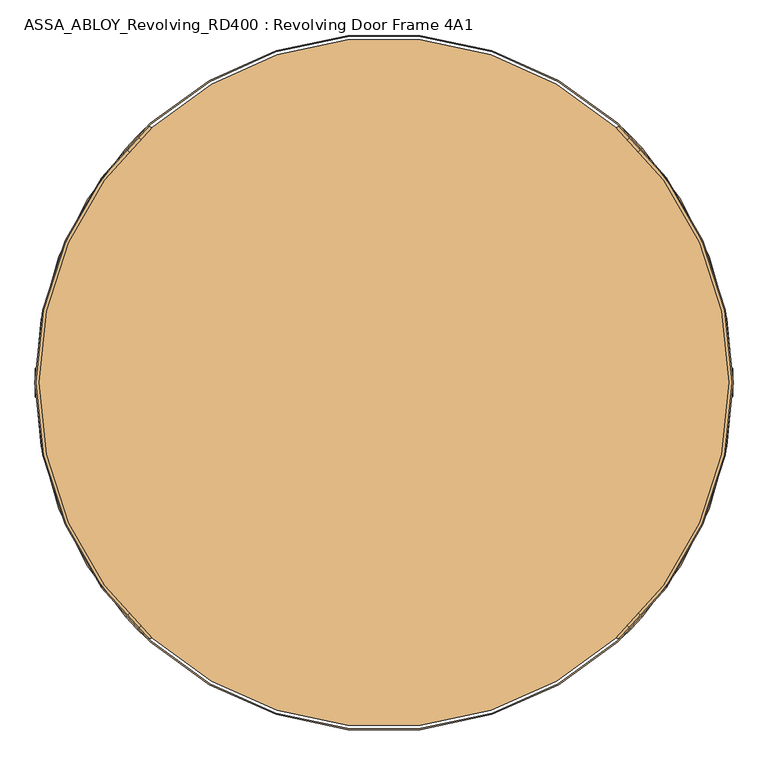
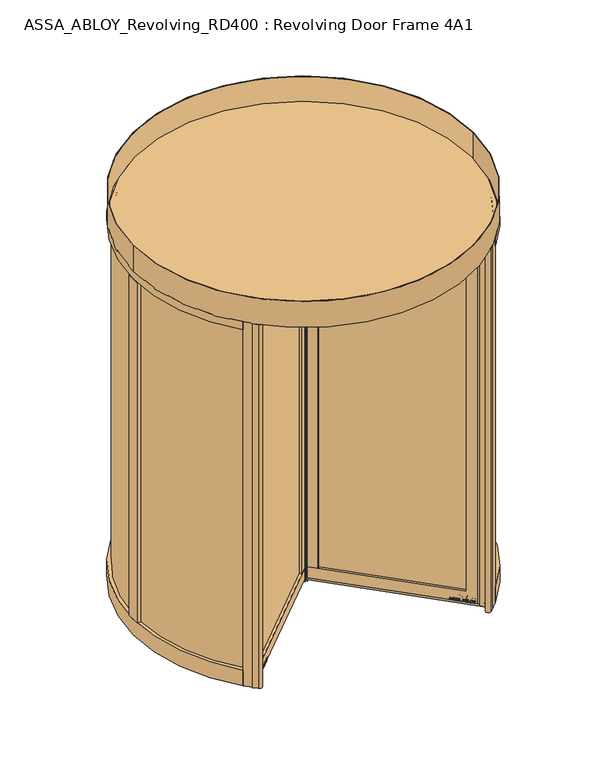
"""IFC4 building model written with IfcOpenShell, lengths in millimetres: door geometry, ASSA_ABLOY_Revolving_RD400 : Revolving Door Frame 4A1."""

from ifc_helpers import new_model, si_unit, point, frame, frame_2d, origin, origin_with_axes, origin_2d, place, context, project, spatial, polyline, circle_curve, trimmed, segment, composite_curve, outline, extrude, source, transform, mapped, element, save
from ifc_brep_helpers import plane_surface, cylinder_surface, advanced_brep


def assa_abloy_revolving_rd400_revolving_door_frame_4a1_a85f9224(model_context):
    return source(origin(), model_context, "Body", "SolidModel", [
        extrude(outline(composite_curve([segment(trimmed(circle_curve(origin_2d(), 1200.0), [point((-848.5281374, -848.5281374))], [point((-819.7723306, -876.3408731))], True, "CARTESIAN"), True, "CONTINUOUS"), segment(trimmed(circle_curve(frame_2d((-834.3787568, -890.0339371)), 20.0211809), [point((-819.7723306, -876.3408731))], [point((-848.0718208, -904.6403633))], False, "CARTESIAN"), True, "CONTINUOUS"), segment(trimmed(circle_curve(origin_2d(), 1240.0), [point((-848.0718208, -904.6403633))], [point((-876.8124087, -876.8124087))], False, "CARTESIAN"), True, "CONTINUOUS"), segment(polyline([(-876.8124087, -876.8124087), (-848.5281374, -848.5281374)]), True, "CONTINUOUS")], self_intersect=False)), origin_with_axes(), (0.0, 0.0, 1.0), 2800.0),
        extrude(outline(composite_curve([segment(trimmed(circle_curve(origin_2d(), 1200.0), [point((848.5281374, 848.5281374))], [point((819.7723306, 876.3408731))], True, "CARTESIAN"), True, "CONTINUOUS"), segment(trimmed(circle_curve(frame_2d((834.3787568, 890.0339371)), 20.0211809), [point((819.7723306, 876.3408731))], [point((848.0718208, 904.6403633))], False, "CARTESIAN"), True, "CONTINUOUS"), segment(trimmed(circle_curve(origin_2d(), 1240.0), [point((848.0718208, 904.6403633))], [point((876.8124087, 876.8124087))], False, "CARTESIAN"), True, "CONTINUOUS"), segment(polyline([(876.8124087, 876.8124087), (848.5281374, 848.5281374)]), True, "CONTINUOUS")], self_intersect=False)), origin_with_axes(), (0.0, 0.0, 1.0), 2800.0),
        extrude(outline(composite_curve([segment(polyline([(-848.5281374, 848.5281374), (-876.8124087, 876.8124087)]), True, "CONTINUOUS"), segment(trimmed(circle_curve(origin_2d(), 1240.0), [point((-876.8124087, 876.8124087))], [point((-848.0718208, 904.6403633))], False, "CARTESIAN"), True, "CONTINUOUS"), segment(trimmed(circle_curve(frame_2d((-834.3787568, 890.0339371)), 20.0211809), [point((-848.0718208, 904.6403633))], [point((-819.7723306, 876.3408731))], False, "CARTESIAN"), True, "CONTINUOUS"), segment(trimmed(circle_curve(origin_2d(), 1200.0), [point((-819.7723306, 876.3408731))], [point((-848.5281374, 848.5281374))], True, "CARTESIAN"), True, "CONTINUOUS")], self_intersect=False)), origin_with_axes(), (0.0, 0.0, 1.0), 2800.0),
        extrude(outline(composite_curve([segment(polyline([(848.5281374, -848.5281374), (876.8124087, -876.8124087)]), True, "CONTINUOUS"), segment(trimmed(circle_curve(origin_2d(), 1240.0), [point((876.8124087, -876.8124087))], [point((848.0718208, -904.6403633))], False, "CARTESIAN"), True, "CONTINUOUS"), segment(trimmed(circle_curve(frame_2d((834.3787568, -890.0339371)), 20.0211809), [point((848.0718208, -904.6403633))], [point((819.7723306, -876.3408731))], False, "CARTESIAN"), True, "CONTINUOUS"), segment(trimmed(circle_curve(origin_2d(), 1200.0), [point((819.7723306, -876.3408731))], [point((848.5281374, -848.5281374))], True, "CARTESIAN"), True, "CONTINUOUS")], self_intersect=False)), origin_with_axes(), (0.0, 0.0, 1.0), 2800.0),
        advanced_brep(
        [(9.1923882, -37.4766594, 28.0), (37.4766594, -9.1923882, 28.0), (824.4865069, -796.2022356, 28.0), (824.4865069, -807.5159441, 28.0), (807.5159441, -824.4865069, 28.0), (796.2022356, -824.4865069, 28.0), (9.1923882, -37.4766594, 110.0), (743.8763338, -772.1606051, 110.0), (772.1606051, -743.8763338, 110.0), (37.4766594, -9.1923882, 110.0), (37.4766594, -9.1923882, 2689.0), (9.1923882, -37.4766594, 2689.0), (9.1923882, -37.4766594, 2771.0), (37.4766594, -9.1923882, 2771.0), (772.1606051, -743.8763338, 2689.0), (743.8763338, -772.1606051, 2689.0), (824.4865069, -807.5159441, 2771.0), (807.5159441, -824.4865069, 2771.0), (796.2022356, -824.4865069, 2771.0), (824.4865069, -796.2022356, 2771.0)],
        [
            (0, 1),
            (1, 2),
            (2, 3, circle_curve(frame((818.8296526, -801.8590899, 28.0), z_axis=(0.0, 0.0, -1.0), x_axis=(-0.7071067811866438, -0.7071067811864512, 0.0)), 8.0)),
            (3, 4),
            (4, 5, circle_curve(frame((801.8590899, -818.8296526, 28.0), z_axis=(0.0, 0.0, -1.0), x_axis=(-0.7071067811866438, -0.7071067811864512, 0.0)), 8.0)),
            (5, 0),
            (6, 7),
            (7, 8),
            (8, 9),
            (9, 6),
            (10, 11),
            (11, 12),
            (12, 13),
            (13, 10),
            (10, 14),
            (14, 15),
            (15, 11),
            (7, 15),
            (14, 8),
            (16, 17),
            (17, 4),
            (3, 16),
            (17, 18, circle_curve(frame((801.8590899, -818.8296526, 2771.0), z_axis=(0.0, 0.0, -1.0), x_axis=(-0.7071067811866438, -0.7071067811864512, 0.0)), 8.0)),
            (18, 5),
            (19, 16, circle_curve(frame((818.8296526, -801.8590899, 2771.0), z_axis=(0.0, 0.0, -1.0), x_axis=(-0.7071067811866438, -0.7071067811864512, 0.0)), 8.0)),
            (2, 19),
            (6, 0),
            (18, 12),
            (1, 9),
            (13, 19),
        ],
        [
            plane_surface(frame((743.8763338, -772.1606051, 28.0), z_axis=(0.0, 0.0, -1.0), x_axis=(-0.7071067811864512, 0.7071067811866438, 0.0))),
            plane_surface(frame((772.1606051, -743.8763338, 110.0), z_axis=(0.0, 0.0, 1.0), x_axis=(-0.7071067811864512, 0.7071067811866438, 0.0))),
            plane_surface(frame((23.3345238, -23.3345238, 2771.0), z_axis=(-0.7071067811864512, 0.7071067811866438, 0.0), x_axis=(-0.7071067811866438, -0.7071067811864512, 0.0))),
            plane_surface(frame((37.4766594, -9.1923882, 2689.0), z_axis=(0.0, 0.0, -1.0), x_axis=(0.7071067811864512, -0.7071067811866438, 0.0))),
            plane_surface(frame((772.1606051, -743.8763338, 2771.0), z_axis=(-0.7071067811864512, 0.7071067811866438, 0.0), x_axis=(0.0, 0.0, -1.0))),
            plane_surface(frame((807.5159441, -824.4865069, 2771.0), z_axis=(0.7071067811864512, -0.7071067811866438, 0.0), x_axis=(0.0, 0.0, -1.0))),
            cylinder_surface(frame((801.8590899, -818.8296526, 2771.0), z_axis=(0.0, 0.0, 1.0), x_axis=(-0.7071067811866438, -0.7071067811864512, 0.0)), 8.0),
            cylinder_surface(frame((818.8296526, -801.8590899, 2771.0), z_axis=(0.0, 0.0, 1.0), x_axis=(-0.7071067811866438, -0.7071067811864512, 0.0)), 8.0),
            plane_surface(frame((743.8763338, -772.1606051, 110.0), z_axis=(-0.7071067811866438, -0.7071067811864512, 0.0), x_axis=(-0.7071067811864512, 0.7071067811866438, 0.0))),
            plane_surface(frame((772.1606051, -743.8763338, 28.0), z_axis=(0.7071067811866438, 0.7071067811864512, 0.0), x_axis=(-0.7071067811864512, 0.7071067811866438, 0.0))),
            plane_surface(frame((23.3345238, -23.3345238, 28.0), z_axis=(-0.7071067811864512, 0.7071067811866438, 0.0), x_axis=(-0.7071067811866438, -0.7071067811864512, 0.0))),
            plane_surface(frame((816.0012255, -816.0012255, 2771.0), z_axis=(0.0, 0.0, 1.0), x_axis=(-0.7071067811866438, -0.7071067811864512, 0.0))),
        ],
        [
            (0, [[1, 2, 3, 4, 5, 6]]),
            (1, [[7, 8, 9, 10]]),
            (2, [[11, 12, 13, 14]]),
            (3, [[-11, 15, 16, 17]]),
            (4, [[-8, 18, -16, 19]]),
            (5, [[20, 21, -4, 22]]),
            (6, [[23, 24, -5, -21]]),
            (7, [[25, -22, -3, 26]]),
            (8, [[-7, 27, -6, -24, 28, -12, -17, -18]]),
            (9, [[29, -9, -19, -15, -14, 30, -26, -2]]),
            (10, [[-27, -10, -29, -1]]),
            (11, [[-28, -23, -20, -25, -30, -13]]),
        ],
    ),
        extrude(outline(polyline([(35.3553391, -11.3137085), (30.4055916, -6.363961), (32.5269119, -4.2426407), (37.4766594, -9.1923882), (35.3553391, -11.3137085)])), origin_with_axes(), (0.0, 0.0, 1.0), 2800.0),
        extrude(outline(polyline([(86.9741341, -58.6898628), (58.6898628, -86.9741341), (9.1923882, -37.4766594), (37.4766594, -9.1923882), (86.9741341, -58.6898628)])), frame((0.0, 0.0, 110.0), z_axis=(0.0, 0.0, 1.0), x_axis=(1.0, 0.0, 0.0)), (0.0, 0.0, 1.0), 2579.0),
        extrude(outline(polyline([(847.290703, -849.7655718), (814.7637911, -817.2386599), (817.2386599, -814.7637911), (849.7655718, -847.290703), (847.290703, -849.7655718)])), origin_with_axes(), (0.0, 0.0, 1.0), 2800.0),
        extrude(outline(polyline([(847.290703, -849.7655718), (22.0970894, -24.5719582), (24.5719582, -22.0970894), (849.7655718, -847.290703), (847.290703, -849.7655718)])), frame((0.0, 0.0, 2770.0), z_axis=(0.0, 0.0, 1.0), x_axis=(1.0, 0.0, 0.0)), (0.0, 0.0, 1.0), 30.0),
        extrude(outline(polyline([(6.363961, -30.4055916), (11.3137085, -35.3553391), (9.1923882, -37.4766594), (4.2426407, -32.5269119), (6.363961, -30.4055916)])), origin_with_axes(), (0.0, 0.0, 1.0), 2800.0),
        extrude(outline(polyline([(756.781035, -759.2559038), (71.5945641, -74.0694329), (74.0694329, -71.5945641), (759.2559038, -756.781035), (756.781035, -759.2559038)])), frame((0.0, 0.0, 110.0), z_axis=(0.0, 0.0, 1.0), x_axis=(1.0, 0.0, 0.0)), (0.0, 0.0, 1.0), 2579.0),
        extrude(outline(polyline([(847.290703, -849.7655718), (22.0970894, -24.5719582), (24.5719582, -22.0970894), (849.7655718, -847.290703), (847.290703, -849.7655718)])), frame((0.0, 0.0, -2.0), z_axis=(0.0, 0.0, 1.0), x_axis=(1.0, 0.0, 0.0)), (0.0, 0.0, 1.0), 30.0),
        extrude(outline(polyline([(21.1919362, 0.0), (20.214336, -2.6529929), (14.2348715, -2.5853724), (11.2716326, -10.6269535), (15.8652682, -14.4554102), (14.8894584, -17.1035442), (-1.2354289, -3.3526834), (0.0, 0.0), (21.1919362, 0.0)]), holes=[polyline([(11.7626281, -2.5849674), (1.6611384, -2.5160752), (9.3848751, -9.0376682), (11.7626281, -2.5849674)])]), frame((808.0591139, -779.7748426, 47.8848654), z_axis=(0.707106781186653, 0.707106781186442, 0.0), x_axis=(-0.24449063860076203, 0.244490638600835, -0.9383222555567717)), (0.0, 0.0, 1.0), 2.0),
        extrude(outline(polyline([(3.5121291, 0.0), (5.4926863, -1.2764387), (6.787432, -3.3659463), (7.2092232, -6.1919012), (6.5093631, -9.6341389), (4.8247981, -13.2083906), (2.5145629, -16.1570791), (-0.6567353, -15.0446471), (2.4447823, -12.1320668), (4.3562346, -8.76362), (4.8029446, -4.7524081), (2.9863484, -2.6252692), (0.9295188, -2.6144293), (-0.6628891, -4.2207408), (-1.8238571, -6.2006452), (-3.0893834, -8.4786223), (-6.2388815, -11.6844271), (-9.9996043, -11.7673438), (-13.1300796, -8.3561655), (-12.7977466, -2.5981571), (-11.0920114, 1.0208017), (-9.0699596, 3.711135), (-6.0403681, 2.6484111), (-8.71119, 0.0484616), (-10.6514742, -3.4882218), (-11.0208469, -7.16163), (-9.3614355, -9.1814982), (-7.3063201, -9.1972245), (-5.5118808, -7.3434952), (-4.250422, -5.1162245), (-2.8187321, -2.6852579), (0.0, 0.0), (3.5121291, 0.0)])), frame((791.279618, -762.9953468, 36.999973), z_axis=(0.707106781186653, 0.7071067811864422, 0.0), x_axis=(-0.23405736617649348, 0.23405736617656334, -0.9436282629706536)), (0.0, 0.0, 1.0), 2.0),
        extrude(outline(polyline([(3.5121291, 0.0), (5.4926863, -1.2764387), (6.787432, -3.3659464), (7.2092232, -6.1919012), (6.5093631, -9.6341389), (4.824798, -13.2083906), (2.5145629, -16.1570791), (-0.6567353, -15.0446471), (2.4447822, -12.1320668), (4.3562345, -8.7636201), (4.8029446, -4.7524081), (2.9863484, -2.6252692), (0.9295188, -2.6144293), (-0.6628891, -4.2207408), (-1.8238571, -6.2006452), (-3.0893834, -8.4786223), (-6.2388815, -11.6844271), (-9.9996043, -11.7673438), (-13.1300796, -8.3561656), (-12.7977466, -2.5981571), (-11.0920114, 1.0208017), (-9.0699596, 3.711135), (-6.0403681, 2.6484111), (-8.71119, 0.0484616), (-10.6514742, -3.4882218), (-11.0208469, -7.1616301), (-9.3614355, -9.1814982), (-7.3063201, -9.1972245), (-5.5118808, -7.3434952), (-4.250422, -5.1162245), (-2.8187321, -2.6852579), (0.0, 0.0), (3.5121291, 0.0)])), frame((777.921931, -749.6376597, 36.999973), z_axis=(0.707106781186653, 0.7071067811864421, 0.0), x_axis=(-0.23405736617649955, 0.23405736617656944, -0.9436282629706506)), (0.0, 0.0, 1.0), 2.0),
        extrude(outline(polyline([(21.1919362, 0.0), (20.214336, -2.6529929), (14.2348715, -2.5853724), (11.2716326, -10.6269535), (15.8652682, -14.4554102), (14.8894584, -17.1035442), (-1.2354289, -3.3526834), (0.0, 0.0), (21.1919362, 0.0)]), holes=[polyline([(11.7626281, -2.5849674), (1.6611384, -2.5160752), (9.3848751, -9.0376682), (11.7626281, -2.5849674)])]), frame((767.9860527, -739.7017815, 47.8848654), z_axis=(0.707106781186653, 0.707106781186442, 0.0), x_axis=(-0.24449063860076203, 0.244490638600835, -0.9383222555567717)), (0.0, 0.0, 1.0), 2.0),
        extrude(outline(polyline([(21.1919362, 0.0), (20.214336, -2.6529929), (14.2348715, -2.5853724), (11.2716326, -10.6269535), (15.8652682, -14.4554102), (14.8894584, -17.1035442), (-1.2354289, -3.3526834), (0.0, 0.0), (21.1919362, 0.0)]), holes=[polyline([(11.7626281, -2.5849674), (1.6611384, -2.5160752), (9.3848751, -9.0376682), (11.7626281, -2.5849674)])]), frame((747.8323495, -719.5480782, 47.8848654), z_axis=(0.707106781186653, 0.707106781186442, 0.0), x_axis=(-0.24449063860076203, 0.244490638600835, -0.9383222555567717)), (0.0, 0.0, 1.0), 2.0),
        extrude(outline(polyline([(3.6247797, 0.0), (5.9232413, -1.3859292), (7.2049821, -3.4426963), (7.5842828, -6.2202288), (6.8194358, -9.6251298), (4.5055294, -16.4081519), (-14.3144162, -9.9880648), (-12.3716711, -4.2930708), (-11.1479956, -1.1951535), (-9.8352433, 0.5920773), (-7.9241126, 1.6554025), (-5.7320771, 1.441087), (-3.7068839, -0.0321766), (-2.8147562, -2.4211002), (0.0, 0.0), (3.6247797, 0.0)]), holes=[polyline([(-5.2214253, -2.9241787), (-9.3653605, -2.9303688), (-10.1960736, -5.1008933), (-11.2627443, -8.2277488), (-5.9304264, -10.0467735), (-4.7734732, -6.6552625), (-5.2214253, -2.9241787)]), polyline([(2.8765907, -2.5461079), (0.9746905, -2.291247), (-0.5832315, -3.1932876), (-1.5099769, -4.5787397), (-2.3470909, -6.7279308), (-3.734766, -10.7957837), (3.1658807, -13.1498156), (4.3362091, -9.7190964), (5.1175974, -6.8751817), (5.1102534, -4.8838351), (4.3679308, -3.4351117), (2.8765907, -2.5461079)])]), frame((730.5896553, -702.3053841, 37.561824), z_axis=(0.707106781186653, 0.7071067811864422, 0.0), x_axis=(-0.22829861010654995, 0.2282986101066181, -0.9464457138403681)), (0.0, 0.0, 1.0), 2.0),
        extrude(outline(polyline([(2.319901, 0.0), (2.319901, -12.5937481), (-17.5649644, -12.5937481), (-17.5649644, -9.9424327), (0.0, -9.9424327), (0.0, 0.0), (2.319901, 0.0)])), frame((718.2791992, -689.994928, 30.319901), z_axis=(0.707106781186653, 0.707106781186442, 0.0), x_axis=(0.0, 0.0, -1.0)), (0.0, 0.0, 1.0), 2.0),
        extrude(outline(polyline([(3.4755123, 0.0), (6.8343334, -1.6217536), (9.8417791, -4.8358203), (11.7934802, -8.7947164), (12.1283676, -12.475947), (10.9175762, -15.7640054), (8.2007386, -18.4707048), (4.7147757, -20.0502835), (1.2097864, -20.048671), (-2.1257686, -18.4422905), (-5.1361656, -15.2239687), (-7.0812776, -11.3109182), (-7.4345587, -7.5668216), (-6.1998493, -4.2905332), (-3.5095377, -1.5864764), (0.0, 0.0), (3.4755123, 0.0)]), holes=[polyline([(7.6631689, -6.3468237), (2.8864763, -2.494471), (-2.1788995, -3.4868579), (-4.8960978, -7.8921765), (-2.9575554, -13.7129653), (1.8513938, -17.5618518), (6.8871209, -16.5585186), (9.5892893, -12.1951337), (7.6631689, -6.3468237)])]), frame((707.9881413, -679.70387, 47.5197917), z_axis=(0.707106781186653, 0.7071067811864422, 0.0), x_axis=(-0.5810361129352651, 0.5810361129354384, -0.5699070721880493)), (0.0, 0.0, 1.0), 2.0),
        extrude(outline(polyline([(3.1691505, 0.0), (-4.1219669, -11.1645234), (-4.1219669, -19.8848654), (-6.7732822, -19.8848654), (-6.7732822, -11.4441543), (-14.0643996, 0.0), (-10.9211409, 0.0), (-5.4320895, -8.8964059), (0.0, 0.0), (3.1691505, 0.0)])), frame((693.1017168, -664.8174455, 47.8848654), z_axis=(0.707106781186653, 0.707106781186442, 0.0), x_axis=(-0.707106781186442, 0.707106781186653, 0.0)), (0.0, 0.0, 1.0), 2.0),
        extrude(outline(polyline([(-21.1919362, 0.0), (0.0, 0.0), (1.2354289, -3.3526834), (-14.8894584, -17.1035442), (-15.8652682, -14.4554102), (-11.2716326, -10.6269536), (-14.2348715, -2.5853724), (-20.2143359, -2.652993), (-21.1919362, 0.0)]), holes=[polyline([(-11.7626281, -2.5849674), (-9.3848751, -9.0376682), (-1.6611384, -2.5160752), (-11.7626281, -2.5849674)])]), frame((669.3387612, -700.4514596, 47.8848654), z_axis=(0.7071067811866485, 0.7071067811864465, 0.0), x_axis=(-0.24449063860076367, 0.2444906386008335, 0.9383222555567716)), (0.0, 0.0, 1.0), 2.0),
        extrude(outline(polyline([(-3.5121291, 0.0), (0.0, 0.0), (2.818732, -2.6852578), (4.250422, -5.1162244), (5.5118807, -7.3434952), (7.3063201, -9.1972245), (9.3614355, -9.1814982), (11.0208469, -7.16163), (10.6514742, -3.4882217), (8.71119, 0.0484616), (6.0403681, 2.6484111), (9.0699596, 3.711135), (11.0920114, 1.0208017), (12.7977466, -2.5981571), (13.1300796, -8.3561655), (9.9996043, -11.7673438), (6.2388815, -11.6844271), (3.0893834, -8.4786223), (1.8238571, -6.2006452), (0.6628891, -4.2207408), (-0.9295188, -2.6144293), (-2.9863484, -2.6252692), (-4.8029446, -4.7524081), (-4.3562346, -8.76362), (-2.4447823, -12.1320668), (0.6567353, -15.0446471), (-2.5145629, -16.1570791), (-4.8247981, -13.2083906), (-6.5093631, -9.6341389), (-7.2092232, -6.1919011), (-6.787432, -3.3659463), (-5.4926863, -1.2764387), (-3.5121291, 0.0)])), frame((686.118257, -717.2309554, 36.999973), z_axis=(0.7071067811866485, 0.7071067811864467, 0.0), x_axis=(-0.234057366176495, 0.2340573661765618, 0.9436282629706536)), (0.0, 0.0, 1.0), 2.0),
        extrude(outline(polyline([(-3.5121291, -1e-07), (0.0, 0.0), (2.8187321, -2.685258), (4.250422, -5.1162245), (5.5118808, -7.3434952), (7.3063201, -9.1972246), (9.3614355, -9.1814982), (11.0208469, -7.1616301), (10.6514742, -3.4882219), (8.71119, 0.0484616), (6.0403681, 2.6484111), (9.0699596, 3.711135), (11.0920114, 1.0208016), (12.7977466, -2.5981572), (13.1300796, -8.3561656), (9.9996043, -11.7673438), (6.2388816, -11.6844271), (3.0893834, -8.4786224), (1.8238571, -6.2006453), (0.6628891, -4.2207409), (-0.9295188, -2.6144294), (-2.9863484, -2.6252693), (-4.8029446, -4.7524081), (-4.3562345, -8.7636201), (-2.4447822, -12.1320668), (0.6567353, -15.0446471), (-2.5145629, -16.1570791), (-4.824798, -13.2083906), (-6.5093631, -9.6341389), (-7.2092232, -6.1919012), (-6.787432, -3.3659464), (-5.4926863, -1.2764388), (-3.5121291, -1e-07)])), frame((699.4759441, -730.5886425, 36.999973), z_axis=(0.7071067811866485, 0.7071067811864467, 0.0), x_axis=(-0.234057366176495, 0.2340573661765618, 0.9436282629706536)), (0.0, 0.0, 1.0), 2.0),
        extrude(outline(polyline([(-21.1919362, 0.0), (0.0, 0.0), (1.2354289, -3.3526834), (-14.8894584, -17.1035441), (-15.8652682, -14.4554102), (-11.2716326, -10.6269535), (-14.2348715, -2.5853724), (-20.214336, -2.6529929), (-21.1919362, 0.0)]), holes=[polyline([(-11.7626281, -2.5849674), (-9.3848751, -9.0376682), (-1.6611384, -2.5160752), (-11.7626281, -2.5849674)])]), frame((709.4118223, -740.5245207, 47.8848654), z_axis=(0.7071067811866485, 0.7071067811864465, 0.0), x_axis=(-0.24449063860076367, 0.2444906386008335, 0.9383222555567716)), (0.0, 0.0, 1.0), 2.0),
        extrude(outline(polyline([(-21.1919362, 0.0), (0.0, 0.0), (1.2354289, -3.3526834), (-14.8894584, -17.1035442), (-15.8652682, -14.4554102), (-11.2716326, -10.6269535), (-14.2348715, -2.5853724), (-20.214336, -2.6529929), (-21.1919362, 0.0)]), holes=[polyline([(-11.7626281, -2.5849674), (-9.3848751, -9.0376682), (-1.6611384, -2.5160752), (-11.7626281, -2.5849674)])]), frame((729.5655256, -760.6782239, 47.8848654), z_axis=(0.7071067811866485, 0.7071067811864465, 0.0), x_axis=(-0.24449063860076367, 0.2444906386008335, 0.9383222555567716)), (0.0, 0.0, 1.0), 2.0),
        extrude(outline(polyline([(-3.6247797, 0.0), (0.0, 0.0), (2.8147562, -2.4211002), (3.7068839, -0.0321766), (5.7320771, 1.441087), (7.9241126, 1.6554025), (9.8352432, 0.5920774), (11.1479956, -1.1951534), (12.3716711, -4.2930708), (14.3144162, -9.9880647), (-4.5055294, -16.4081518), (-6.8194358, -9.6251298), (-7.5842828, -6.2202288), (-7.2049821, -3.4426963), (-5.9232413, -1.3859292), (-3.6247797, 0.0)]), holes=[polyline([(5.2214253, -2.9241786), (4.7734732, -6.6552625), (5.9304264, -10.0467735), (11.2627443, -8.2277488), (10.1960736, -5.1008932), (9.3653605, -2.9303687), (5.2214253, -2.9241786)]), polyline([(-2.8765907, -2.5461078), (-4.3679308, -3.4351117), (-5.1102534, -4.8838351), (-5.1175974, -6.8751817), (-4.3362091, -9.7190964), (-3.1658807, -13.1498156), (3.734766, -10.7957836), (2.3470909, -6.7279308), (1.5099769, -4.5787396), (0.5832315, -3.1932876), (-0.9746905, -2.291247), (-2.8765907, -2.5461078)])]), frame((746.8082197, -777.9209181, 37.561824), z_axis=(0.7071067811866485, 0.7071067811864467, 0.0), x_axis=(-0.22829861010655142, 0.22829861010661662, 0.9464457138403681)), (0.0, 0.0, 1.0), 2.0),
        extrude(outline(polyline([(-2.319901, 0.0), (0.0, 0.0), (0.0, -9.9424327), (17.5649644, -9.9424327), (17.5649644, -12.5937481), (-2.319901, -12.5937481), (-2.319901, 0.0)])), frame((759.1186758, -790.2313742, 30.319901), z_axis=(0.7071067811866485, 0.7071067811864465, 0.0), x_axis=(0.0, 0.0, 1.0)), (0.0, 0.0, 1.0), 2.0),
        extrude(outline(polyline([(-3.4755122, 0.0), (0.0, 0.0), (3.5095377, -1.5864764), (6.1998494, -4.2905332), (7.4345588, -7.5668217), (7.0812777, -11.3109182), (5.1361656, -15.2239687), (2.1257687, -18.4422905), (-1.2097864, -20.0486711), (-4.7147757, -20.0502836), (-8.2007386, -18.4707048), (-10.9175762, -15.7640054), (-12.1283676, -12.475947), (-11.7934801, -8.7947164), (-9.841779, -4.8358204), (-6.8343334, -1.6217536), (-3.4755122, 0.0)]), holes=[polyline([(-7.6631689, -6.3468238), (-9.5892893, -12.1951337), (-6.8871208, -16.5585187), (-1.8513938, -17.5618518), (2.9575555, -13.7129653), (4.8960978, -7.8921765), (2.1788995, -3.4868579), (-2.8864762, -2.4944711), (-7.6631689, -6.3468238)])]), frame((769.4097338, -800.5224322, 47.5197917), z_axis=(0.7071067811866485, 0.7071067811864467, 0.0), x_axis=(-0.5810361129352702, 0.5810361129354361, 0.5699070721880464)), (0.0, 0.0, 1.0), 2.0),
        extrude(outline(polyline([(-3.1691504, 0.0), (0.0, 0.0), (5.4320895, -8.8964059), (10.9211409, 0.0), (14.0643996, 0.0), (6.7732823, -11.4441543), (6.7732823, -19.8848654), (4.1219669, -19.8848654), (4.1219669, -11.1645234), (-3.1691504, 0.0)])), frame((784.2961583, -815.4088567, 47.8848654), z_axis=(0.7071067811866485, 0.7071067811864465, 0.0), x_axis=(-0.7071067811864465, 0.7071067811866485, 0.0)), (0.0, 0.0, 1.0), 2.0),
        extrude(outline(composite_curve([segment(trimmed(circle_curve(origin_2d(), 1226.0), [point((-1226.0, 0.0))], [point((1226.0, 0.0))], False, "CARTESIAN"), True, "CONTINUOUS"), segment(trimmed(circle_curve(origin_2d(), 1226.0), [point((1226.0, 0.0))], [point((-1226.0, 0.0))], False, "CARTESIAN"), True, "CONTINUOUS")], self_intersect=False)), frame((0.0, 0.0, 2800.0), z_axis=(0.0, 0.0, 1.0), x_axis=(1.0, 0.0, 0.0)), (0.0, 0.0, 1.0), 16.0),
        extrude(outline(composite_curve([segment(polyline([(-918.2117687, 833.1523796), (-889.8932204, 804.8338312)]), True, "CONTINUOUS"), segment(trimmed(circle_curve(frame_2d((0.0, -0.2065754)), 1200.0), [point((-889.8932204, 804.8338312))], [point((-889.8932204, -805.246982))], True, "CARTESIAN"), True, "CONTINUOUS"), segment(polyline([(-889.8932204, -805.246982), (-918.2117687, -833.5655304)]), True, "CONTINUOUS"), segment(trimmed(circle_curve(frame_2d((0.0, -0.2065754)), 1240.0), [point((-918.2117687, -833.5655304))], [point((-918.2117687, 833.1523796))], False, "CARTESIAN"), True, "CONTINUOUS")], self_intersect=False)), frame((0.0, 0.0, 2743.0), z_axis=(0.0, 0.0, 1.0), x_axis=(1.0, 0.0, 0.0)), (0.0, 0.0, 1.0), 60.0),
        extrude(outline(composite_curve([segment(polyline([(-918.2117687, -833.5655304), (-889.8932204, -805.246982)]), True, "CONTINUOUS"), segment(trimmed(circle_curve(frame_2d((0.0, -0.2065754)), 1200.0), [point((-889.8932204, -805.246982))], [point((-848.5281374, -848.7347128))], True, "CARTESIAN"), True, "CONTINUOUS"), segment(polyline([(-848.5281374, -848.7347128), (-876.8124087, -877.0189841)]), True, "CONTINUOUS"), segment(trimmed(circle_curve(frame_2d((0.0, -0.2065754)), 1240.0), [point((-876.8124087, -877.0189841))], [point((-918.2117687, -833.5655304))], False, "CARTESIAN"), True, "CONTINUOUS")], self_intersect=False)), frame((0.0, 0.0, 3.0), z_axis=(0.0, 0.0, 1.0), x_axis=(1.0, 0.0, 0.0)), (0.0, 0.0, 1.0), 2800.0),
        extrude(outline(composite_curve([segment(polyline([(-876.8124087, 876.6058333), (-848.5281374, 848.321562)]), True, "CONTINUOUS"), segment(trimmed(circle_curve(frame_2d((0.0, -0.2065754)), 1200.0), [point((-848.5281374, 848.321562))], [point((-889.8932204, 804.8338312))], True, "CARTESIAN"), True, "CONTINUOUS"), segment(polyline([(-889.8932204, 804.8338312), (-918.2117687, 833.1523796)]), True, "CONTINUOUS"), segment(trimmed(circle_curve(frame_2d((0.0, -0.2065754)), 1240.0), [point((-918.2117687, 833.1523796))], [point((-876.8124087, 876.6058333))], False, "CARTESIAN"), True, "CONTINUOUS")], self_intersect=False)), frame((0.0, 0.0, 3.0), z_axis=(0.0, 0.0, 1.0), x_axis=(1.0, 0.0, 0.0)), (0.0, 0.0, 1.0), 2800.0),
        extrude(outline(composite_curve([segment(polyline([(-1211.969059, -50.2065754), (-1203.9622087, -50.2065754)]), True, "CONTINUOUS"), segment(trimmed(circle_curve(frame_2d((0.0, -0.2065754)), 1205.0), [point((-1203.9622087, -50.2065754))], [point((-893.4331636, -808.7869253))], True, "CARTESIAN"), True, "CONTINUOUS"), segment(polyline([(-893.4331636, -808.7869253), (-899.096997, -814.4507587)]), True, "CONTINUOUS"), segment(trimmed(circle_curve(frame_2d((0.0, -0.2065754)), 1213.0), [point((-899.096997, -814.4507587))], [point((-1211.969059, -50.2065754))], False, "CARTESIAN"), True, "CONTINUOUS")], self_intersect=False)), frame((0.0, 0.0, 123.0), z_axis=(0.0, 0.0, 1.0), x_axis=(1.0, 0.0, 0.0)), (0.0, 0.0, 1.0), 2620.0),
        extrude(outline(composite_curve([segment(polyline([(-899.096997, 814.0376079), (-893.4331636, 808.3737745)]), True, "CONTINUOUS"), segment(trimmed(circle_curve(frame_2d((0.0, -0.2065754)), 1205.0), [point((-893.4331636, 808.3737745))], [point((-1203.9622087, 49.7934246))], True, "CARTESIAN"), True, "CONTINUOUS"), segment(polyline([(-1203.9622087, 49.7934246), (-1211.969059, 49.7934246)]), True, "CONTINUOUS"), segment(trimmed(circle_curve(frame_2d((0.0, -0.2065754)), 1213.0), [point((-1211.969059, 49.7934246))], [point((-899.096997, 814.0376079))], False, "CARTESIAN"), True, "CONTINUOUS")], self_intersect=False)), frame((0.0, 0.0, 123.0), z_axis=(0.0, 0.0, 1.0), x_axis=(1.0, 0.0, 0.0)), (0.0, 0.0, 1.0), 2620.0),
        extrude(outline(polyline([(-1240.0, -50.2065754), (-1240.0, 49.7934246), (-1200.0, 49.7934246), (-1200.0, -50.2065754), (-1240.0, -50.2065754)])), frame((0.0, 0.0, 123.0), z_axis=(0.0, 0.0, 1.0), x_axis=(1.0, 0.0, 0.0)), (0.0, 0.0, 1.0), 2620.0),
        extrude(outline(composite_curve([segment(polyline([(-918.2117687, 833.1523796), (-889.8932204, 804.8338312)]), True, "CONTINUOUS"), segment(trimmed(circle_curve(frame_2d((0.0, -0.2065754)), 1200.0), [point((-889.8932204, 804.8338312))], [point((-889.8932204, -805.246982))], True, "CARTESIAN"), True, "CONTINUOUS"), segment(polyline([(-889.8932204, -805.246982), (-918.2117687, -833.5655304)]), True, "CONTINUOUS"), segment(trimmed(circle_curve(frame_2d((0.0, -0.2065754)), 1240.0), [point((-918.2117687, -833.5655304))], [point((-918.2117687, 833.1523796))], False, "CARTESIAN"), True, "CONTINUOUS")], self_intersect=False)), frame((0.0, 0.0, 3.0), z_axis=(0.0, 0.0, 1.0), x_axis=(1.0, 0.0, 0.0)), (0.0, 0.0, 1.0), 120.0),
        extrude(outline(composite_curve([segment(trimmed(circle_curve(origin_2d(), 1240.0), [point((918.2117687, 833.358955))], [point((918.2117687, -833.358955))], False, "CARTESIAN"), True, "CONTINUOUS"), segment(polyline([(918.2117687, -833.358955), (889.8932204, -805.0404066)]), True, "CONTINUOUS"), segment(trimmed(circle_curve(origin_2d(), 1200.0), [point((889.8932204, -805.0404066))], [point((889.8932204, 805.0404066))], True, "CARTESIAN"), True, "CONTINUOUS"), segment(polyline([(889.8932204, 805.0404066), (918.2117687, 833.358955)]), True, "CONTINUOUS")], self_intersect=False)), frame((0.0, 0.0, 2740.0), z_axis=(0.0, 0.0, 1.0), x_axis=(1.0, 0.0, 0.0)), (0.0, 0.0, 1.0), 60.0),
        extrude(outline(composite_curve([segment(trimmed(circle_curve(origin_2d(), 1240.0), [point((918.2117687, -833.358955))], [point((876.8124087, -876.8124087))], False, "CARTESIAN"), True, "CONTINUOUS"), segment(polyline([(876.8124087, -876.8124087), (848.5281374, -848.5281374)]), True, "CONTINUOUS"), segment(trimmed(circle_curve(origin_2d(), 1200.0), [point((848.5281374, -848.5281374))], [point((889.8932204, -805.0404066))], True, "CARTESIAN"), True, "CONTINUOUS"), segment(polyline([(889.8932204, -805.0404066), (918.2117687, -833.358955)]), True, "CONTINUOUS")], self_intersect=False)), origin_with_axes(), (0.0, 0.0, 1.0), 2800.0),
        extrude(outline(composite_curve([segment(trimmed(circle_curve(origin_2d(), 1240.0), [point((876.8124087, 876.8124087))], [point((918.2117687, 833.358955))], False, "CARTESIAN"), True, "CONTINUOUS"), segment(polyline([(918.2117687, 833.358955), (889.8932204, 805.0404066)]), True, "CONTINUOUS"), segment(trimmed(circle_curve(origin_2d(), 1200.0), [point((889.8932204, 805.0404066))], [point((848.5281374, 848.5281374))], True, "CARTESIAN"), True, "CONTINUOUS"), segment(polyline([(848.5281374, 848.5281374), (876.8124087, 876.8124087)]), True, "CONTINUOUS")], self_intersect=False)), origin_with_axes(), (0.0, 0.0, 1.0), 2800.0),
        extrude(outline(composite_curve([segment(trimmed(circle_curve(origin_2d(), 1213.0), [point((1211.969059, -50.0))], [point((899.096997, -814.2441833))], False, "CARTESIAN"), True, "CONTINUOUS"), segment(polyline([(899.096997, -814.2441833), (893.4331636, -808.5803499)]), True, "CONTINUOUS"), segment(trimmed(circle_curve(origin_2d(), 1205.0), [point((893.4331636, -808.5803499))], [point((1203.9622087, -50.0))], True, "CARTESIAN"), True, "CONTINUOUS"), segment(polyline([(1203.9622087, -50.0), (1211.969059, -50.0)]), True, "CONTINUOUS")], self_intersect=False)), frame((0.0, 0.0, 120.0), z_axis=(0.0, 0.0, 1.0), x_axis=(1.0, 0.0, 0.0)), (0.0, 0.0, 1.0), 2620.0),
        extrude(outline(composite_curve([segment(trimmed(circle_curve(origin_2d(), 1213.0), [point((899.096997, 814.2441833))], [point((1211.969059, 50.0))], False, "CARTESIAN"), True, "CONTINUOUS"), segment(polyline([(1211.969059, 50.0), (1203.9622087, 50.0)]), True, "CONTINUOUS"), segment(trimmed(circle_curve(origin_2d(), 1205.0), [point((1203.9622087, 50.0))], [point((893.4331636, 808.5803499))], True, "CARTESIAN"), True, "CONTINUOUS"), segment(polyline([(893.4331636, 808.5803499), (899.096997, 814.2441833)]), True, "CONTINUOUS")], self_intersect=False)), frame((0.0, 0.0, 120.0), z_axis=(0.0, 0.0, 1.0), x_axis=(1.0, 0.0, 0.0)), (0.0, 0.0, 1.0), 2620.0),
        extrude(outline(polyline([(1240.0, -50.0), (1200.0, -50.0), (1200.0, 50.0), (1240.0, 50.0), (1240.0, -50.0)])), frame((0.0, 0.0, 120.0), z_axis=(0.0, 0.0, 1.0), x_axis=(1.0, 0.0, 0.0)), (0.0, 0.0, 1.0), 2620.0),
        extrude(outline(composite_curve([segment(trimmed(circle_curve(origin_2d(), 1240.0), [point((918.2117687, 833.358955))], [point((918.2117687, -833.358955))], False, "CARTESIAN"), True, "CONTINUOUS"), segment(polyline([(918.2117687, -833.358955), (889.8932204, -805.0404066)]), True, "CONTINUOUS"), segment(trimmed(circle_curve(origin_2d(), 1200.0), [point((889.8932204, -805.0404066))], [point((889.8932204, 805.0404066))], True, "CARTESIAN"), True, "CONTINUOUS"), segment(polyline([(889.8932204, 805.0404066), (918.2117687, 833.358955)]), True, "CONTINUOUS")], self_intersect=False)), origin_with_axes(), (0.0, 0.0, 1.0), 120.0),
        extrude(outline(composite_curve([segment(trimmed(circle_curve(origin_2d(), 1241.0), [point((-1241.0, 0.0))], [point((1241.0, 0.0))], False, "CARTESIAN"), True, "CONTINUOUS"), segment(trimmed(circle_curve(origin_2d(), 1241.0), [point((1241.0, 0.0))], [point((-1241.0, 0.0))], False, "CARTESIAN"), True, "CONTINUOUS")], self_intersect=False), holes=[composite_curve([segment(trimmed(circle_curve(origin_2d(), 1237.0), [point((-1237.0, 0.0))], [point((1237.0, 0.0))], True, "CARTESIAN"), True, "CONTINUOUS"), segment(trimmed(circle_curve(origin_2d(), 1237.0), [point((1237.0, 0.0))], [point((-1237.0, 0.0))], True, "CARTESIAN"), True, "CONTINUOUS")], self_intersect=False)]), frame((0.0, 0.0, 2800.0), z_axis=(0.0, 0.0, 1.0), x_axis=(1.0, 0.0, 0.0)), (0.0, 0.0, 1.0), 200.0),
        advanced_brep(
        [(-37.4766594, -9.1923882, 28.0), (-9.1923882, -37.4766594, 28.0), (-796.2022356, -824.4865069, 28.0), (-807.5159441, -824.4865069, 28.0), (-824.4865069, -807.5159441, 28.0), (-824.4865069, -796.2022356, 28.0), (-37.4766594, -9.1923882, 110.0), (-772.1606051, -743.8763338, 110.0), (-743.8763338, -772.1606051, 110.0), (-9.1923882, -37.4766594, 110.0), (-9.1923882, -37.4766594, 2689.0), (-37.4766594, -9.1923882, 2689.0), (-37.4766594, -9.1923882, 2771.0), (-9.1923882, -37.4766594, 2771.0), (-743.8763338, -772.1606051, 2689.0), (-772.1606051, -743.8763338, 2689.0), (-807.5159441, -824.4865069, 2771.0), (-824.4865069, -807.5159441, 2771.0), (-824.4865069, -796.2022356, 2771.0), (-796.2022356, -824.4865069, 2771.0)],
        [
            (0, 1),
            (1, 2),
            (2, 3, circle_curve(frame((-801.8590899, -818.8296526, 28.0), z_axis=(0.0, 0.0, -1.0), x_axis=(-0.7071067811865487, 0.7071067811865464, 0.0)), 8.0)),
            (3, 4),
            (4, 5, circle_curve(frame((-818.8296526, -801.8590899, 28.0), z_axis=(0.0, 0.0, -1.0), x_axis=(-0.7071067811865487, 0.7071067811865464, 0.0)), 8.0)),
            (5, 0),
            (6, 7),
            (7, 8),
            (8, 9),
            (9, 6),
            (10, 11),
            (11, 12),
            (12, 13),
            (13, 10),
            (10, 14),
            (14, 15),
            (15, 11),
            (7, 15),
            (14, 8),
            (16, 17),
            (17, 4),
            (3, 16),
            (17, 18, circle_curve(frame((-818.8296526, -801.8590899, 2771.0), z_axis=(0.0, 0.0, -1.0), x_axis=(-0.7071067811865487, 0.7071067811865464, 0.0)), 8.0)),
            (18, 5),
            (19, 16, circle_curve(frame((-801.8590899, -818.8296526, 2771.0), z_axis=(0.0, 0.0, -1.0), x_axis=(-0.7071067811865487, 0.7071067811865464, 0.0)), 8.0)),
            (2, 19),
            (6, 0),
            (18, 12),
            (1, 9),
            (13, 19),
        ],
        [
            plane_surface(frame((-772.1606051, -743.8763338, 28.0), z_axis=(0.0, 0.0, -1.0), x_axis=(0.7071067811865464, 0.7071067811865487, 0.0))),
            plane_surface(frame((-743.8763338, -772.1606051, 110.0), z_axis=(0.0, 0.0, 1.0), x_axis=(0.7071067811865464, 0.7071067811865487, 0.0))),
            plane_surface(frame((-23.3345238, -23.3345238, 2771.0), z_axis=(0.7071067811865464, 0.7071067811865487, 0.0), x_axis=(-0.7071067811865487, 0.7071067811865464, 0.0))),
            plane_surface(frame((-9.1923882, -37.4766594, 2689.0), z_axis=(0.0, 0.0, -1.0), x_axis=(-0.7071067811865464, -0.7071067811865487, 0.0))),
            plane_surface(frame((-743.8763338, -772.1606051, 2771.0), z_axis=(0.7071067811865464, 0.7071067811865487, 0.0), x_axis=(0.0, 0.0, -1.0))),
            plane_surface(frame((-824.4865069, -807.5159441, 2771.0), z_axis=(-0.7071067811865464, -0.7071067811865487, 0.0), x_axis=(0.0, 0.0, -1.0))),
            cylinder_surface(frame((-818.8296526, -801.8590899, 2771.0), z_axis=(0.0, 0.0, 1.0), x_axis=(-0.7071067811865487, 0.7071067811865464, 0.0)), 8.0),
            cylinder_surface(frame((-801.8590899, -818.8296526, 2771.0), z_axis=(0.0, 0.0, 1.0), x_axis=(-0.7071067811865487, 0.7071067811865464, 0.0)), 8.0),
            plane_surface(frame((-772.1606051, -743.8763338, 110.0), z_axis=(-0.7071067811865487, 0.7071067811865464, 0.0), x_axis=(0.7071067811865464, 0.7071067811865487, 0.0))),
            plane_surface(frame((-743.8763338, -772.1606051, 28.0), z_axis=(0.7071067811865487, -0.7071067811865464, 0.0), x_axis=(0.7071067811865464, 0.7071067811865487, 0.0))),
            plane_surface(frame((-23.3345238, -23.3345238, 28.0), z_axis=(0.7071067811865464, 0.7071067811865487, 0.0), x_axis=(-0.7071067811865487, 0.7071067811865464, 0.0))),
            plane_surface(frame((-816.0012255, -816.0012255, 2771.0), z_axis=(0.0, 0.0, 1.0), x_axis=(-0.7071067811865487, 0.7071067811865464, 0.0))),
        ],
        [
            (0, [[1, 2, 3, 4, 5, 6]]),
            (1, [[7, 8, 9, 10]]),
            (2, [[11, 12, 13, 14]]),
            (3, [[-11, 15, 16, 17]]),
            (4, [[-8, 18, -16, 19]]),
            (5, [[20, 21, -4, 22]]),
            (6, [[23, 24, -5, -21]]),
            (7, [[25, -22, -3, 26]]),
            (8, [[-7, 27, -6, -24, 28, -12, -17, -18]]),
            (9, [[29, -9, -19, -15, -14, 30, -26, -2]]),
            (10, [[-27, -10, -29, -1]]),
            (11, [[-28, -23, -20, -25, -30, -13]]),
        ],
    ),
        extrude(outline(polyline([(-11.3137085, -35.3553391), (-6.363961, -30.4055916), (-4.2426407, -32.5269119), (-9.1923882, -37.4766594), (-11.3137085, -35.3553391)])), origin_with_axes(), (0.0, 0.0, 1.0), 2800.0),
        extrude(outline(polyline([(-58.6898628, -86.9741341), (-86.9741341, -58.6898628), (-37.4766594, -9.1923882), (-9.1923882, -37.4766594), (-58.6898628, -86.9741341)])), frame((0.0, 0.0, 110.0), z_axis=(0.0, 0.0, 1.0), x_axis=(1.0, 0.0, 0.0)), (0.0, 0.0, 1.0), 2579.0),
        extrude(outline(polyline([(-849.7655718, -847.290703), (-817.2386599, -814.7637911), (-814.7637911, -817.2386599), (-847.290703, -849.7655718), (-849.7655718, -847.290703)])), origin_with_axes(), (0.0, 0.0, 1.0), 2800.0),
        extrude(outline(polyline([(-849.7655718, -847.290703), (-24.5719582, -22.0970894), (-22.0970894, -24.5719582), (-847.290703, -849.7655718), (-849.7655718, -847.290703)])), frame((0.0, 0.0, 2770.0), z_axis=(0.0, 0.0, 1.0), x_axis=(1.0, 0.0, 0.0)), (0.0, 0.0, 1.0), 30.0),
        extrude(outline(polyline([(-30.4055916, -6.363961), (-35.3553391, -11.3137085), (-37.4766594, -9.1923882), (-32.5269119, -4.2426407), (-30.4055916, -6.363961)])), origin_with_axes(), (0.0, 0.0, 1.0), 2800.0),
        extrude(outline(polyline([(-759.2559038, -756.781035), (-74.0694329, -71.5945641), (-71.5945641, -74.0694329), (-756.781035, -759.2559038), (-759.2559038, -756.781035)])), frame((0.0, 0.0, 110.0), z_axis=(0.0, 0.0, 1.0), x_axis=(1.0, 0.0, 0.0)), (0.0, 0.0, 1.0), 2579.0),
        extrude(outline(polyline([(-849.7655718, -847.290703), (-24.5719582, -22.0970894), (-22.0970894, -24.5719582), (-847.290703, -849.7655718), (-849.7655718, -847.290703)])), frame((0.0, 0.0, -2.0), z_axis=(0.0, 0.0, 1.0), x_axis=(1.0, 0.0, 0.0)), (0.0, 0.0, 1.0), 30.0),
        extrude(outline(polyline([(-21.1919362, 0.0), (0.0, 0.0), (1.2354289, -3.3526834), (-14.8894584, -17.1035442), (-15.8652682, -14.4554102), (-11.2716326, -10.6269535), (-14.2348715, -2.5853724), (-20.214336, -2.6529929), (-21.1919362, 0.0)]), holes=[polyline([(-11.7626281, -2.5849674), (-9.3848751, -9.0376682), (-1.6611384, -2.5160752), (-11.7626281, -2.5849674)])]), frame((-778.3606291, -809.4733274, 47.8848654), z_axis=(-0.7071067811865395, 0.7071067811865556, 0.0), x_axis=(-0.2444906386008013, -0.24449063860079573, 0.9383222555567717)), (0.0, 0.0, 1.0), 2.0),
        extrude(outline(polyline([(-3.5121291, 0.0), (0.0, 0.0), (2.818732, -2.6852578), (4.250422, -5.1162245), (5.5118808, -7.3434952), (7.3063201, -9.1972245), (9.3614355, -9.1814982), (11.0208469, -7.1616301), (10.6514742, -3.4882217), (8.71119, 0.0484616), (6.0403681, 2.6484111), (9.0699596, 3.711135), (11.0920114, 1.0208017), (12.7977466, -2.5981571), (13.1300796, -8.3561655), (9.9996043, -11.7673438), (6.2388816, -11.6844271), (3.0893834, -8.4786223), (1.8238571, -6.2006452), (0.6628891, -4.2207408), (-0.9295188, -2.6144293), (-2.9863484, -2.6252692), (-4.8029446, -4.7524081), (-4.3562346, -8.76362), (-2.4447822, -12.1320668), (0.6567353, -15.0446471), (-2.5145629, -16.1570791), (-4.8247981, -13.2083906), (-6.5093631, -9.6341389), (-7.2092232, -6.1919012), (-6.787432, -3.3659464), (-5.4926863, -1.2764387), (-3.5121291, 0.0)])), frame((-761.5811332, -792.6938316, 36.999973), z_axis=(-0.7071067811865396, 0.7071067811865556, 0.0), x_axis=(-0.23405736617653108, -0.23405736617652576, 0.9436282629706536)), (0.0, 0.0, 1.0), 2.0),
        extrude(outline(polyline([(-3.5121291, -1e-07), (0.0, 0.0), (2.8187321, -2.6852579), (4.250422, -5.1162245), (5.5118808, -7.3434952), (7.3063201, -9.1972245), (9.3614355, -9.1814982), (11.0208469, -7.16163), (10.6514742, -3.4882218), (8.71119, 0.0484616), (6.0403681, 2.6484111), (9.0699596, 3.711135), (11.0920114, 1.0208017), (12.7977466, -2.5981571), (13.1300796, -8.3561656), (9.9996043, -11.7673438), (6.2388815, -11.6844271), (3.0893834, -8.4786224), (1.8238571, -6.2006452), (0.6628891, -4.2207408), (-0.9295188, -2.6144293), (-2.9863484, -2.6252693), (-4.8029446, -4.7524081), (-4.3562345, -8.7636201), (-2.4447823, -12.1320668), (0.6567353, -15.0446471), (-2.5145629, -16.1570791), (-4.824798, -13.2083906), (-6.5093631, -9.6341389), (-7.2092232, -6.1919012), (-6.787432, -3.3659463), (-5.4926863, -1.2764387), (-3.5121291, -1e-07)])), frame((-748.2234462, -779.3361445, 36.999973), z_axis=(-0.7071067811865396, 0.7071067811865556, 0.0), x_axis=(-0.23405736617653716, -0.23405736617653183, 0.9436282629706506)), (0.0, 0.0, 1.0), 2.0),
        extrude(outline(polyline([(-21.1919362, 0.0), (0.0, 0.0), (1.2354289, -3.3526834), (-14.8894584, -17.1035442), (-15.8652682, -14.4554102), (-11.2716326, -10.6269535), (-14.2348715, -2.5853724), (-20.2143359, -2.652993), (-21.1919362, 0.0)]), holes=[polyline([(-11.7626281, -2.5849674), (-9.3848751, -9.0376682), (-1.6611384, -2.5160752), (-11.7626281, -2.5849674)])]), frame((-738.2875679, -769.4002663, 47.8848654), z_axis=(-0.7071067811865395, 0.7071067811865556, 0.0), x_axis=(-0.2444906386008013, -0.24449063860079573, 0.9383222555567717)), (0.0, 0.0, 1.0), 2.0),
        extrude(outline(polyline([(-21.1919362, 0.0), (0.0, 0.0), (1.2354289, -3.3526834), (-14.8894584, -17.1035442), (-15.8652682, -14.4554102), (-11.2716326, -10.6269535), (-14.2348715, -2.5853724), (-20.214336, -2.6529929), (-21.1919362, 0.0)]), holes=[polyline([(-11.7626281, -2.5849675), (-9.3848751, -9.0376682), (-1.6611384, -2.5160752), (-11.7626281, -2.5849675)])]), frame((-718.1338647, -749.246563, 47.8848654), z_axis=(-0.7071067811865395, 0.7071067811865556, 0.0), x_axis=(-0.2444906386008013, -0.24449063860079573, 0.9383222555567717)), (0.0, 0.0, 1.0), 2.0),
        extrude(outline(polyline([(-3.6247797, 0.0), (0.0, 0.0), (2.8147562, -2.4211002), (3.7068839, -0.0321767), (5.7320771, 1.441087), (7.9241126, 1.6554025), (9.8352433, 0.5920773), (11.1479956, -1.1951535), (12.3716711, -4.2930708), (14.3144162, -9.9880648), (-4.5055294, -16.4081519), (-6.8194358, -9.6251298), (-7.5842828, -6.2202288), (-7.2049821, -3.4426963), (-5.9232413, -1.3859292), (-3.6247797, 0.0)]), holes=[polyline([(5.2214253, -2.9241787), (4.7734732, -6.6552625), (5.9304264, -10.0467735), (11.2627443, -8.2277488), (10.1960736, -5.1008933), (9.3653605, -2.9303688), (5.2214253, -2.9241787)]), polyline([(-2.8765907, -2.5461079), (-4.3679308, -3.4351117), (-5.1102534, -4.8838351), (-5.1175974, -6.8751817), (-4.3362091, -9.7190964), (-3.1658807, -13.1498156), (3.734766, -10.7957837), (2.3470909, -6.7279308), (1.5099769, -4.5787397), (0.5832315, -3.1932876), (-0.9746905, -2.291247), (-2.8765907, -2.5461079)])]), frame((-700.8911705, -732.0038689, 37.561824), z_axis=(-0.7071067811865396, 0.7071067811865556, 0.0), x_axis=(-0.2282986101065866, -0.22829861010658142, 0.9464457138403681)), (0.0, 0.0, 1.0), 2.0),
        extrude(outline(polyline([(-2.319901, 0.0), (0.0, 0.0), (0.0, -9.9424327), (17.5649644, -9.9424327), (17.5649644, -12.5937481), (-2.319901, -12.5937481), (-2.319901, 0.0)])), frame((-688.5807144, -719.6934128, 30.319901), z_axis=(-0.7071067811865395, 0.7071067811865556, 0.0), x_axis=(0.0, 0.0, 1.0)), (0.0, 0.0, 1.0), 2.0),
        extrude(outline(polyline([(-3.4755123, 0.0), (0.0, 0.0), (3.5095377, -1.5864764), (6.1998493, -4.2905332), (7.4345588, -7.5668217), (7.0812776, -11.3109182), (5.1361656, -15.2239687), (2.1257686, -18.4422905), (-1.2097864, -20.0486711), (-4.7147757, -20.0502835), (-8.2007386, -18.4707048), (-10.9175762, -15.7640054), (-12.1283676, -12.475947), (-11.7934802, -8.7947164), (-9.8417791, -4.8358203), (-6.8343334, -1.6217536), (-3.4755123, 0.0)]), holes=[polyline([(-7.6631689, -6.3468237), (-9.5892893, -12.1951337), (-6.8871209, -16.5585186), (-1.8513938, -17.5618518), (2.9575554, -13.7129653), (4.8960978, -7.8921765), (2.1788995, -3.4868579), (-2.8864763, -2.494471), (-7.6631689, -6.3468237)])]), frame((-678.2896565, -709.4023548, 47.5197917), z_axis=(-0.7071067811865395, 0.7071067811865556, 0.0), x_axis=(-0.5810361129353584, -0.5810361129353452, 0.5699070721880493)), (0.0, 0.0, 1.0), 2.0),
        extrude(outline(polyline([(-3.1691503, 0.0), (0.0, 0.0), (5.4320896, -8.8964059), (10.921141, 0.0), (14.0643997, 0.0), (6.7732824, -11.4441543), (6.7732824, -19.8848654), (4.121967, -19.8848654), (4.121967, -11.1645234), (-3.1691503, 0.0)])), frame((-663.4032319, -694.5159303, 47.8848654), z_axis=(-0.7071067811865395, 0.7071067811865556, 0.0), x_axis=(-0.7071067811865556, -0.7071067811865395, 0.0)), (0.0, 0.0, 1.0), 2.0),
    ])


if __name__ == "__main__":
    model = new_model("IFC4")
    model_context = context("Model", 3, world=origin())
    ifc_project = project(units=[si_unit("LENGTHUNIT", "METRE", prefix="MILLI")], contexts=[model_context])
    site = spatial("IfcSite", under=ifc_project)
    building = spatial("IfcBuilding", under=site)
    placement = place(None, origin())
    assa_abloy_revolving_rd400_revolving_door_frame_4a1_shape = assa_abloy_revolving_rd400_revolving_door_frame_4a1_a85f9224(model_context)
    element("IfcDoor", 1, ObjectType="ASSA_ABLOY_Revolving_RD400 : Revolving Door Frame 4A1", at=placement, inside=building, context=model_context, shape_type="MappedRepresentation", body=[
        mapped(assa_abloy_revolving_rd400_revolving_door_frame_4a1_shape, transform((0.0, 0.0, 0.0), x_axis=(1.0, 0.0, 0.0), y_axis=(0.0, 1.0, 0.0), z_axis=(0.0, 0.0, 1.0))),
    ])
    save(model, "model.ifc")
